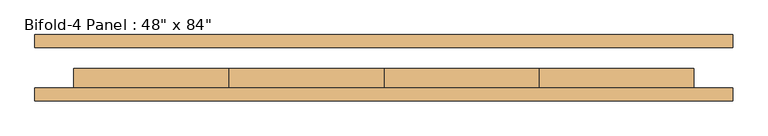
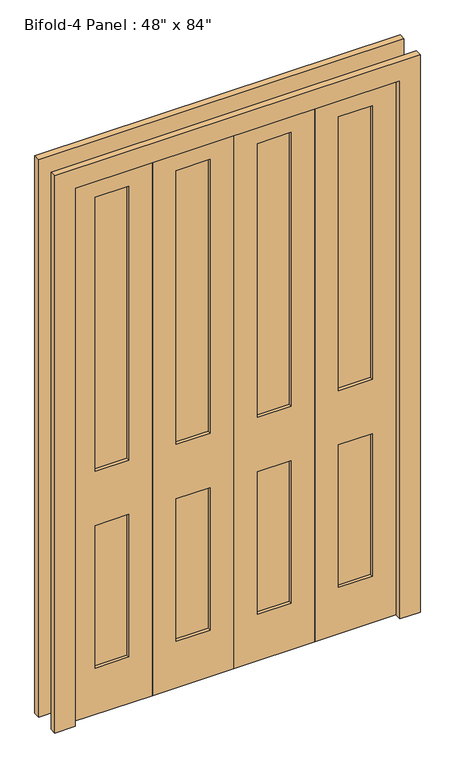
"""IFC4 building model written with IfcOpenShell, lengths in millimetres: door geometry."""

from ifc_helpers import new_model, si_unit, frame, origin, place, context, project, spatial, polyline, outline, extrude, source, transform, mapped, element, save


def door_0fd760ec(model_context):
    return source(origin(), model_context, "Body", "SweptSolid", [
        extrude(outline(polyline([(393.7, -26.9875), (393.7, -14.2875), (520.7, -14.2875), (520.7, -26.9875), (393.7, -26.9875)])), frame((0.0, 0.0, 965.2), z_axis=(0.0, 0.0, 1.0), x_axis=(1.0, 0.0, 0.0)), (0.0, 0.0, 1.0), 1085.85),
        extrude(outline(polyline([(393.7, -26.9875), (393.7, -14.2875), (520.7, -14.2875), (520.7, -26.9875), (393.7, -26.9875)])), frame((0.0, 0.0, 184.15), z_axis=(0.0, 0.0, 1.0), x_axis=(1.0, 0.0, 0.0)), (0.0, 0.0, 1.0), 565.15),
        extrude(outline(polyline([(88.9, -26.9875), (88.9, -14.2875), (215.9, -14.2875), (215.9, -26.9875), (88.9, -26.9875)])), frame((0.0, 0.0, 965.2), z_axis=(0.0, 0.0, 1.0), x_axis=(1.0, 0.0, 0.0)), (0.0, 0.0, 1.0), 1085.85),
        extrude(outline(polyline([(88.9, -26.9875), (88.9, -14.2875), (215.9, -14.2875), (215.9, -26.9875), (88.9, -26.9875)])), frame((0.0, 0.0, 184.15), z_axis=(0.0, 0.0, 1.0), x_axis=(1.0, 0.0, 0.0)), (0.0, 0.0, 1.0), 565.15),
        extrude(outline(polyline([(-215.9, -26.9875), (-215.9, -14.2875), (-88.9, -14.2875), (-88.9, -26.9875), (-215.9, -26.9875)])), frame((0.0, 0.0, 184.15), z_axis=(0.0, 0.0, 1.0), x_axis=(1.0, 0.0, 0.0)), (0.0, 0.0, 1.0), 565.15),
        extrude(outline(polyline([(-215.9, -26.9875), (-215.9, -14.2875), (-88.9, -14.2875), (-88.9, -26.9875), (-215.9, -26.9875)])), frame((0.0, 0.0, 965.2), z_axis=(0.0, 0.0, 1.0), x_axis=(1.0, 0.0, 0.0)), (0.0, 0.0, 1.0), 1085.85),
        extrude(outline(polyline([(-520.7, -26.9875), (-520.7, -14.2875), (-393.7, -14.2875), (-393.7, -26.9875), (-520.7, -26.9875)])), frame((0.0, 0.0, 965.2), z_axis=(0.0, 0.0, 1.0), x_axis=(1.0, 0.0, 0.0)), (0.0, 0.0, 1.0), 1085.85),
        extrude(outline(polyline([(-520.7, -26.9875), (-520.7, -14.2875), (-393.7, -14.2875), (-393.7, -26.9875), (-520.7, -26.9875)])), frame((0.0, 0.0, 184.15), z_axis=(0.0, 0.0, 1.0), x_axis=(1.0, 0.0, 0.0)), (0.0, 0.0, 1.0), 565.15),
        extrude(outline(polyline([(0.0, 685.8), (2209.8, 685.8), (2209.8, -685.8), (0.0, -685.8), (0.0, -609.6), (2133.6, -609.6), (2133.6, 609.6), (0.0, 609.6), (0.0, 685.8)])), frame((0.0, 39.6875, 0.0), z_axis=(0.0, 1.0, 0.0), x_axis=(0.0, 0.0, 1.0)), (0.0, 0.0, 1.0), 25.4),
        extrude(outline(polyline([(0.0, 685.8), (2209.8, 685.8), (2209.8, -685.8), (0.0, -685.8), (0.0, -609.6), (2133.6, -609.6), (2133.6, 609.6), (0.0, 609.6), (0.0, 685.8)])), frame((0.0, -65.0875, 0.0), z_axis=(0.0, 1.0, 0.0), x_axis=(0.0, 0.0, 1.0)), (0.0, 0.0, 1.0), 25.4),
        extrude(outline(polyline([(0.0, -609.6), (0.0, -304.8), (2133.6, -304.8), (2133.6, -609.6), (0.0, -609.6)]), holes=[polyline([(2051.05, -520.7), (2051.05, -393.7), (965.2, -393.7), (965.2, -520.7), (2051.05, -520.7)]), polyline([(749.3, -520.7), (749.3, -393.7), (184.15, -393.7), (184.15, -520.7), (749.3, -520.7)])]), frame((0.0, -39.6875, 0.0), z_axis=(0.0, 1.0, 0.0), x_axis=(0.0, 0.0, 1.0)), (0.0, 0.0, 1.0), 38.1),
        extrude(outline(polyline([(0.0, -304.8), (0.0, 0.0), (2133.6, 0.0), (2133.6, -304.8), (0.0, -304.8)]), holes=[polyline([(2051.05, -215.9), (2051.05, -88.9), (965.2, -88.9), (965.2, -215.9), (2051.05, -215.9)]), polyline([(749.3, -215.9), (749.3, -88.9), (184.15, -88.9), (184.15, -215.9), (749.3, -215.9)])]), frame((0.0, -39.6875, 0.0), z_axis=(0.0, 1.0, 0.0), x_axis=(0.0, 0.0, 1.0)), (0.0, 0.0, 1.0), 38.1),
        extrude(outline(polyline([(0.0, 0.0), (0.0, 304.8), (2133.6, 304.8), (2133.6, 0.0), (0.0, 0.0)]), holes=[polyline([(2051.05, 88.9), (2051.05, 215.9), (965.2, 215.9), (965.2, 88.9), (2051.05, 88.9)]), polyline([(749.3, 88.9), (749.3, 215.9), (184.15, 215.9), (184.15, 88.9), (749.3, 88.9)])]), frame((0.0, -39.6875, 0.0), z_axis=(0.0, 1.0, 0.0), x_axis=(0.0, 0.0, 1.0)), (0.0, 0.0, 1.0), 38.1),
        extrude(outline(polyline([(0.0, 304.8), (0.0, 609.6), (2133.6, 609.6), (2133.6, 304.8), (0.0, 304.8)]), holes=[polyline([(2051.05, 393.7), (2051.05, 520.7), (965.2, 520.7), (965.2, 393.7), (2051.05, 393.7)]), polyline([(749.3, 393.7), (749.3, 520.7), (184.15, 520.7), (184.15, 393.7), (749.3, 393.7)])]), frame((0.0, -39.6875, 0.0), z_axis=(0.0, 1.0, 0.0), x_axis=(0.0, 0.0, 1.0)), (0.0, 0.0, 1.0), 38.1),
    ])


if __name__ == "__main__":
    model = new_model("IFC4")
    model_context = context("Model", 3, world=origin())
    ifc_project = project(units=[si_unit("LENGTHUNIT", "METRE", prefix="MILLI")], contexts=[model_context])
    site = spatial("IfcSite", under=ifc_project)
    building = spatial("IfcBuilding", under=site)
    placement = place(None, origin())
    door_shape = door_0fd760ec(model_context)
    element("IfcDoor", 1, ObjectType="Bifold-4 Panel : 48\" x 84\"", at=placement, inside=building, context=model_context, shape_type="MappedRepresentation", body=[
        mapped(door_shape, transform((0.0, 0.0, 0.0), x_axis=(1.0, 0.0, 0.0), y_axis=(0.0, 1.0, 0.0), z_axis=(0.0, 0.0, 1.0))),
    ])
    save(model, "model.ifc")
